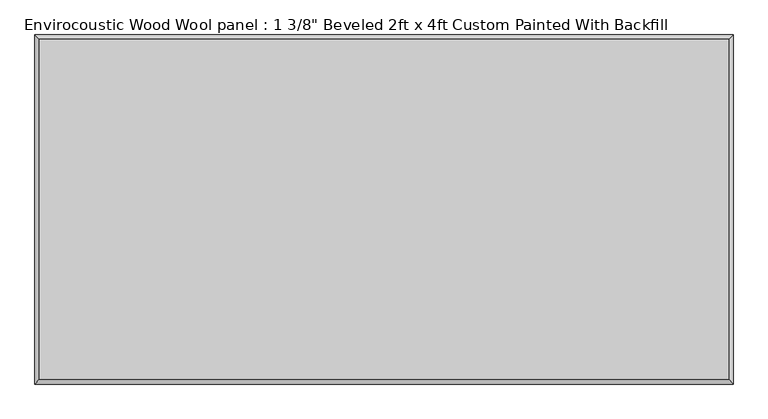
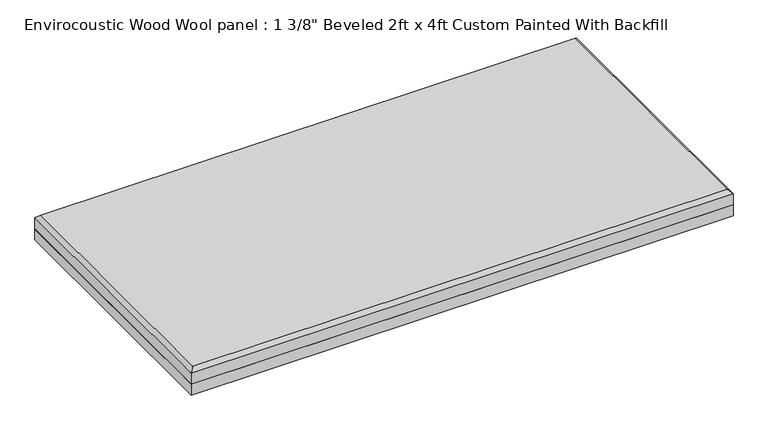
"""IFC4 building model written with IfcOpenShell, lengths in millimetres: proxy geometry."""

from ifc_helpers import new_model, si_unit, origin, origin_with_axes, place, context, project, spatial, polyline, outline, extrude, faceted_brep, source, transform, mapped, element, save


def proxy_d9e28e62(model_context):
    return source(origin(), model_context, "Body", "SolidModel", [
        extrude(outline(polyline([(609.6, 304.8), (609.6, -304.8), (-609.6, -304.8), (-609.6, 304.8), (609.6, 304.8)])), origin_with_axes(), (0.0, 0.0, 1.0), 25.4),
        faceted_brep([(601.599, 296.799, 60.325), (-601.599, 296.799, 60.325), (-601.599, -296.799, 60.325), (601.599, -296.799, 60.325), (-609.6, 304.8, 25.4), (609.6, 304.8, 25.4), (609.6, -304.8, 25.4), (-609.6, -304.8, 25.4), (-609.6, -304.8, 52.324), (-609.6, 304.8, 52.324), (609.6, -304.8, 52.324), (609.6, 304.8, 52.324)], [[[0, 1, 2, 3]], [[4, 5, 6, 7]], [[4, 7, 8, 9]], [[7, 6, 10, 8]], [[6, 5, 11, 10]], [[5, 4, 9, 11]], [[9, 1, 0, 11]], [[1, 9, 8, 2]], [[2, 8, 10, 3]], [[11, 0, 3, 10]]]),
    ])


if __name__ == "__main__":
    model = new_model("IFC4")
    model_context = context("Model", 3, world=origin())
    ifc_project = project(units=[si_unit("LENGTHUNIT", "METRE", prefix="MILLI")], contexts=[model_context])
    site = spatial("IfcSite", under=ifc_project)
    building = spatial("IfcBuilding", under=site)
    placement = place(None, origin())
    proxy_shape = proxy_d9e28e62(model_context)
    element("IfcBuildingElementProxy", 1, Name="Envirocoustic Wood Wool panel : 1 3/8\" Beveled 2ft x 4ft Custom Painted With Backfill", ObjectType="Envirocoustic Wood Wool panel : 1 3/8\" Beveled 2ft x 4ft Custom Painted With Backfill", at=placement, inside=building, context=model_context, shape_type="MappedRepresentation", body=[
        mapped(proxy_shape, transform((0.0, 0.0, 0.0), x_axis=(1.0, 0.0, 0.0), y_axis=(0.0, 1.0, 0.0), z_axis=(0.0, 0.0, 1.0))),
    ])
    save(model, "model.ifc")
